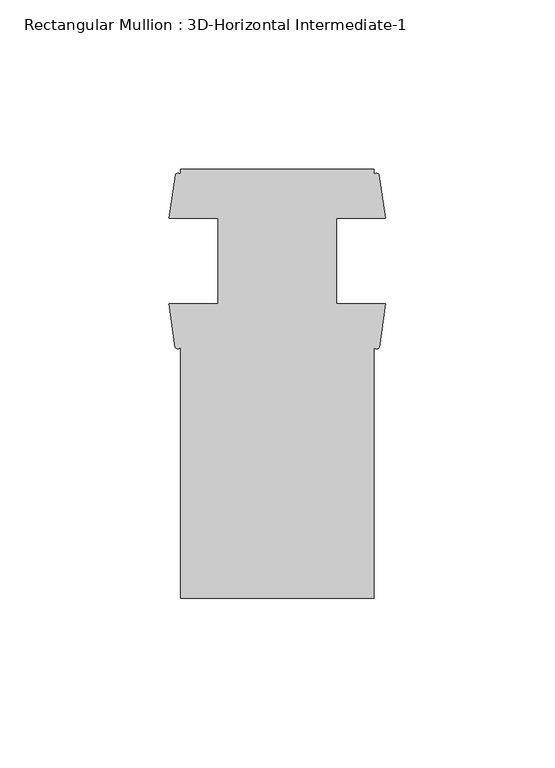
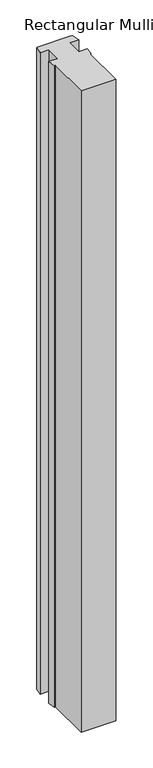
"""IFC4 building model written with IfcOpenShell, lengths in millimetres: member geometry, Rectangular Mullion : 3D-Horizontal Intermediate-1."""

from ifc_helpers import new_model, si_unit, point, frame, frame_2d, origin, place, context, project, spatial, polyline, circle_curve, trimmed, segment, composite_curve, outline, extrude, source, transform, mapped, element, save


def rectangular_mullion_3d_horizontal_intermediate_1_69a64410(model_context):
    return source(origin(), model_context, "Body", "SweptSolid", [
        extrude(outline(composite_curve([segment(polyline([(28.575, 1.2984222), (28.575, -73.025), (-28.575, -73.025), (-28.575, 1.2984222)]), True, "CONTINUOUS"), segment(trimmed(circle_curve(frame_2d((-29.4067022, 1.8269416)), 0.9854244), [point((-28.575, 1.2984222))], [point((-30.2384044, 1.2984222))], False, "CARTESIAN"), True, "CONTINUOUS"), segment(polyline([(-30.2384044, 1.2984222), (-32.0945217, 14.071475), (-17.4625, 14.071475), (-17.4625, 39.471475), (-31.971, 39.471475), (-30.1608963, 52.2427625)]), True, "CONTINUOUS"), segment(trimmed(circle_curve(frame_2d((-29.3679481, 51.7772815)), 0.9194778), [point((-30.1608963, 52.2427625))], [point((-28.575, 52.2427625))], False, "CARTESIAN"), True, "CONTINUOUS"), segment(polyline([(-28.575, 52.2427625), (-28.575, 53.975), (28.575, 53.975), (28.575, 52.2427625)]), True, "CONTINUOUS"), segment(trimmed(circle_curve(frame_2d((29.3679481, 51.729482)), 0.9445759), [point((28.575, 52.2427625))], [point((30.1608963, 52.2427625))], False, "CARTESIAN"), True, "CONTINUOUS"), segment(polyline([(30.1608963, 52.2427625), (31.971, 39.471475), (17.4625, 39.471475), (17.4625, 14.071475), (32.0945217, 14.071475), (30.2384044, 1.2984222)]), True, "CONTINUOUS"), segment(trimmed(circle_curve(frame_2d((29.4067022, 1.7556804)), 0.949112), [point((30.2384044, 1.2984222))], [point((28.575, 1.2984222))], False, "CARTESIAN"), True, "CONTINUOUS")], self_intersect=False)), frame((0.0, 0.0, -1126.4359565), z_axis=(0.0, 0.0, 1.0), x_axis=(1.0, 0.0, 0.0)), (0.0, 0.0, 1.0), 1126.4359565),
    ])


if __name__ == "__main__":
    model = new_model("IFC4")
    model_context = context("Model", 3, world=origin())
    ifc_project = project(units=[si_unit("LENGTHUNIT", "METRE", prefix="MILLI")], contexts=[model_context])
    site = spatial("IfcSite", under=ifc_project)
    building = spatial("IfcBuilding", under=site)
    placement = place(None, origin())
    rectangular_mullion_3d_horizontal_intermediate_1_shape = rectangular_mullion_3d_horizontal_intermediate_1_69a64410(model_context)
    element("IfcMember", 1, ObjectType="Rectangular Mullion : 3D-Horizontal Intermediate-1", at=placement, inside=building, context=model_context, shape_type="MappedRepresentation", body=[
        mapped(rectangular_mullion_3d_horizontal_intermediate_1_shape, transform((0.0, 0.0, 0.0), x_axis=(1.0, 0.0, 0.0), y_axis=(0.0, 1.0, 0.0), z_axis=(0.0, 0.0, 1.0))),
    ])
    save(model, "model.ifc")
